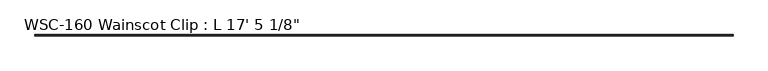
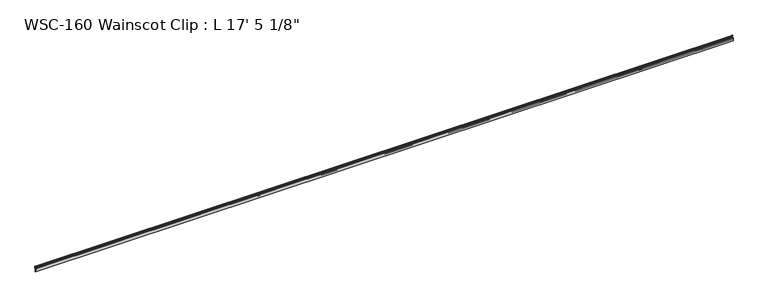
"""IFC4 building model written with IfcOpenShell, lengths in millimetres: proxy geometry."""

from ifc_helpers import new_model, si_unit, frame, origin, place, context, project, spatial, polyline, circle_curve, source, transform, mapped, element, save
from ifc_brep_helpers import plane_surface, cylinder_surface, revolved_surface, advanced_brep


def proxy_ea5700f0(model_context):
    return source(origin(), model_context, "Body", "AdvancedBrep", [
        advanced_brep(
        [(5311.775, -2.3858534, 23.8097395), (5311.775, 0.0, 23.8097395), (5311.775, 0.0, 36.5513594), (5311.775, -2.3349522, 39.6132126), (5311.775, -2.0809522, 40.594561), (5311.775, -2.3349522, 41.3393599), (5311.775, -2.0809522, 42.1048475), (5311.775, -2.3329752, 43.1624591), (5311.775, -4.1129522, 43.1610826), (5311.775, -4.3669522, 42.395595), (5311.775, -4.1129522, 41.6507961), (5311.775, -4.3669522, 40.8853085), (5311.775, -4.1129522, 40.1405096), (5311.775, -4.1129522, 38.1388594), (5311.775, -3.175, 38.1388594), (5311.775, -1.5875, 36.5513594), (5311.775, -1.5875, 33.1154996), (5311.775, -1.3035832, 32.0559078), (5311.775, -1.3035832, 30.7205546), (5311.775, -1.5875, 29.9404996), (5311.775, -1.5875, 26.9720395), (5311.775, -3.1623, 25.3972395), (5311.775, -5.8629506, 25.3951457), (5311.775, -5.5328714, 24.6872886), (5311.775, -5.8629506, 23.9794315), (5311.775, -5.5328714, 23.2715744), (5311.775, -5.8629506, 22.5637173), (5311.775, -5.5328714, 21.8558602), (5311.775, -5.8629506, 21.1480031), (5311.775, -5.5328714, 20.440146), (5311.775, -5.8629506, 19.7322889), (5311.775, -5.5328714, 19.0244318), (5311.775, -5.8629506, 18.3165747), (5311.775, -5.5328714, 17.6087176), (5311.775, -5.8629506, 16.9008605), (5311.775, -5.5328714, 16.1930034), (5311.775, -5.5328714, 15.3090246), (5311.775, -8.2409572, 15.4279003), (5311.775, -8.2409572, 16.3510451), (5311.775, -8.050618, 17.1144537), (5311.775, -8.2409572, 17.9053684), (5311.775, -8.050618, 18.8008436), (5311.775, -8.2409572, 19.7152763), (5311.775, -8.050618, 20.4786849), (5311.775, -8.2409572, 21.3931176), (5311.775, -8.050618, 22.1565262), (5311.775, -8.2409572, 22.9474409), (5311.775, -8.050618, 23.7108495), (5311.775, -8.2409572, 24.5017642), (5311.775, -8.050618, 25.3972395), (5311.775, -9.525, 25.3972395), (5311.775, -9.525, 0.0), (5311.775, -5.6374865, 0.0), (5311.775, -5.6374865, 1.5327614), (5311.775, -6.5278, 1.5327614), (5311.775, -6.5278, 5.9833241), (5311.775, -7.2186149, 6.674139), (5311.775, -6.5278, 7.3649539), (5311.775, -6.5278, 11.8248539), (5311.775, -5.73278, 12.6198739), (5311.775, -3.9733534, 14.1980366), (5311.775, -3.9733534, 22.2222395), (0.0, -2.3858534, 23.8097395), (0.0, -3.9733534, 22.2222395), (0.0, -3.9733534, 14.1980366), (0.0, -5.73278, 12.6198739), (0.0, -6.5278, 11.8248539), (0.0, -6.5278, 7.3649539), (0.0, -7.2186149, 6.674139), (0.0, -6.5278, 5.9833241), (0.0, -6.5278, 1.5327614), (0.0, -5.6374865, 1.5327614), (0.0, -5.6374865, 0.0), (0.0, -9.525, 0.0), (0.0, -9.525, 25.3972395), (0.0, -8.050618, 25.3972395), (0.0, -8.2409572, 24.5017642), (0.0, -8.050618, 23.7108495), (0.0, -8.2409572, 22.9474409), (0.0, -8.050618, 22.1565262), (0.0, -8.2409572, 21.3931176), (0.0, -8.050618, 20.4786849), (0.0, -8.2409572, 19.7152763), (0.0, -8.050618, 18.8008436), (0.0, -8.2409572, 17.9053684), (0.0, -8.050618, 17.1144537), (0.0, -8.2409572, 16.3510451), (0.0, -8.2409572, 15.4279003), (0.0, -5.5328714, 15.3090246), (0.0, -5.5328714, 16.1930034), (0.0, -5.8629506, 16.9008605), (0.0, -5.5328714, 17.6087176), (0.0, -5.8629506, 18.3165747), (0.0, -5.5328714, 19.0244318), (0.0, -5.8629506, 19.7322889), (0.0, -5.5328714, 20.440146), (0.0, -5.8629506, 21.1480031), (0.0, -5.5328714, 21.8558602), (0.0, -5.8629506, 22.5637173), (0.0, -5.5328714, 23.2715744), (0.0, -5.8629506, 23.9794315), (0.0, -5.5328714, 24.6872886), (0.0, -5.8629506, 25.3951457), (0.0, -3.1623, 25.3951457), (0.0, -1.5875, 26.9720395), (0.0, -1.5875, 29.9404996), (0.0, -1.3035832, 30.7205546), (0.0, -1.3035832, 32.0559078), (0.0, -1.5875, 33.1154996), (0.0, -1.5875, 36.5513594), (0.0, -3.175, 38.1388594), (0.0, -4.1129522, 38.1388594), (0.0, -4.1129522, 40.1405096), (0.0, -4.3669522, 40.8853085), (0.0, -4.1129522, 41.6507961), (0.0, -4.3669522, 42.395595), (0.0, -4.1129522, 43.1610826), (0.0, -2.3329752, 43.1624591), (0.0, -2.0809522, 42.1048475), (0.0, -2.3349522, 41.3393599), (0.0, -2.0809522, 40.594561), (0.0, -2.3349522, 39.6132126), (0.0, 0.0, 36.5513594), (0.0, 0.0, 23.8097395)],
        [
            (0, 1),
            (1, 2),
            (2, 3, circle_curve(frame((5311.775, -3.175, 36.5513594), z_axis=(1.0, 0.0, 0.0), x_axis=(0.0, 0.0, -1.0)), 3.175)),
            (3, 4),
            (4, 5),
            (5, 6),
            (6, 7),
            (7, 8, circle_curve(frame((5311.775, -3.2239522, 44.4400699), z_axis=(-1.0, 0.0, 0.0), x_axis=(0.0, 0.0, -1.0)), 1.5576038)),
            (8, 9),
            (9, 10),
            (10, 11),
            (11, 12),
            (12, 13),
            (13, 14),
            (14, 15, circle_curve(frame((5311.775, -3.175, 36.5513594), z_axis=(-1.0, 0.0, 0.0), x_axis=(0.0, 0.0, -1.0)), 1.5875)),
            (15, 16),
            (16, 17),
            (17, 18),
            (18, 19),
            (19, 20),
            (20, 21, circle_curve(frame((5311.775, -3.1623, 26.9720395), z_axis=(-1.0, 0.0, 0.0), x_axis=(0.0, 0.0, -1.0)), 1.5748)),
            (21, 22),
            (22, 23),
            (23, 24),
            (24, 25),
            (25, 26),
            (26, 27),
            (27, 28),
            (28, 29),
            (29, 30),
            (30, 31),
            (31, 32),
            (32, 33),
            (33, 34),
            (34, 35),
            (35, 36),
            (36, 37, circle_curve(frame((5311.775, -6.8679054, 15.8014998), z_axis=(-1.0, 0.0, 0.0), x_axis=(0.0, 0.0, -1.0)), 1.4229714)),
            (37, 38),
            (38, 39),
            (39, 40),
            (40, 41),
            (41, 42),
            (42, 43),
            (43, 44),
            (44, 45),
            (45, 46),
            (46, 47),
            (47, 48),
            (48, 49),
            (49, 50),
            (50, 51),
            (51, 52),
            (52, 53),
            (53, 54),
            (54, 55),
            (55, 56),
            (56, 57),
            (57, 58),
            (58, 59, circle_curve(frame((5311.775, -5.73278, 11.8248539), z_axis=(-1.0, 0.0, 0.0), x_axis=(0.0, 0.0, -1.0)), 0.79502)),
            (59, 60, circle_curve(frame((5311.775, -5.5608534, 14.1980366), z_axis=(1.0, 0.0, 0.0), x_axis=(0.0, 0.0, -1.0)), 1.5875)),
            (60, 61),
            (61, 0, circle_curve(frame((5311.775, -2.3858534, 22.2222395), z_axis=(-1.0, 0.0, 0.0), x_axis=(0.0, 0.0, -1.0)), 1.5875)),
            (62, 63, circle_curve(frame((0.0, -2.3858534, 22.2222395), z_axis=(1.0, 0.0, 0.0), x_axis=(0.0, 0.0, -1.0)), 1.5875)),
            (63, 64),
            (64, 65, circle_curve(frame((0.0, -5.5608534, 14.1980366), z_axis=(-1.0, 0.0, 0.0), x_axis=(0.0, 0.0, -1.0)), 1.5875)),
            (65, 66, circle_curve(frame((0.0, -5.73278, 11.8248539), z_axis=(1.0, 0.0, 0.0), x_axis=(0.0, 0.0, -1.0)), 0.79502)),
            (66, 67),
            (67, 68),
            (68, 69),
            (69, 70),
            (70, 71),
            (71, 72),
            (72, 73),
            (73, 74),
            (74, 75),
            (75, 76),
            (76, 77),
            (77, 78),
            (78, 79),
            (79, 80),
            (80, 81),
            (81, 82),
            (82, 83),
            (83, 84),
            (84, 85),
            (85, 86),
            (86, 87),
            (87, 88, circle_curve(frame((0.0, -6.8679054, 15.8014998), z_axis=(1.0, 0.0, 0.0), x_axis=(0.0, 0.0, -1.0)), 1.4229714)),
            (88, 89),
            (89, 90),
            (90, 91),
            (91, 92),
            (92, 93),
            (93, 94),
            (94, 95),
            (95, 96),
            (96, 97),
            (97, 98),
            (98, 99),
            (99, 100),
            (100, 101),
            (101, 102),
            (102, 103),
            (103, 104, circle_curve(frame((0.0, -3.1623, 26.9720395), z_axis=(1.0, 0.0, 0.0), x_axis=(0.0, 0.0, -1.0)), 1.5748)),
            (104, 105),
            (105, 106),
            (106, 107),
            (107, 108),
            (108, 109),
            (109, 110, circle_curve(frame((0.0, -3.175, 36.5513594), z_axis=(1.0, 0.0, 0.0), x_axis=(0.0, 0.0, -1.0)), 1.5875)),
            (110, 111),
            (111, 112),
            (112, 113),
            (113, 114),
            (114, 115),
            (115, 116),
            (116, 117, circle_curve(frame((0.0, -3.2239522, 44.4400699), z_axis=(1.0, 0.0, 0.0), x_axis=(0.0, 0.0, -1.0)), 1.5576038)),
            (117, 118),
            (118, 119),
            (119, 120),
            (120, 121),
            (121, 122, circle_curve(frame((0.0, -3.175, 36.5513594), z_axis=(-1.0, 0.0, 0.0), x_axis=(0.0, 0.0, -1.0)), 3.175)),
            (122, 123),
            (123, 62),
            (0, 62),
            (123, 1),
            (122, 2),
            (121, 3),
            (120, 4),
            (119, 5),
            (118, 6),
            (117, 7),
            (116, 8),
            (115, 9),
            (114, 10),
            (113, 11),
            (112, 12),
            (111, 13),
            (110, 14),
            (109, 15),
            (108, 16),
            (107, 17),
            (106, 18),
            (105, 19),
            (104, 20),
            (103, 21),
            (102, 22),
            (101, 23),
            (100, 24),
            (99, 25),
            (98, 26),
            (97, 27),
            (96, 28),
            (95, 29),
            (94, 30),
            (93, 31),
            (92, 32),
            (91, 33),
            (90, 34),
            (89, 35),
            (88, 36),
            (87, 37),
            (86, 38),
            (85, 39),
            (84, 40),
            (83, 41),
            (82, 42),
            (81, 43),
            (80, 44),
            (79, 45),
            (78, 46),
            (77, 47),
            (76, 48),
            (75, 49),
            (74, 50),
            (73, 51),
            (72, 52),
            (71, 53),
            (70, 54),
            (69, 55),
            (68, 56),
            (67, 57),
            (66, 58),
            (65, 59),
            (64, 60),
            (63, 61),
        ],
        [
            plane_surface(frame((5311.775, -2.3858534, 23.8097395), z_axis=(1.0, 0.0, 0.0), x_axis=(0.0, 1.0, 0.0))),
            plane_surface(frame((0.0, -2.3858534, 23.8097395), z_axis=(-1.0, 0.0, 0.0), x_axis=(0.0, -1.0, 0.0))),
            plane_surface(frame((5311.775, -2.3858534, 23.8097395), z_axis=(0.0, 0.0, -1.0), x_axis=(-1.0, 0.0, 0.0))),
            plane_surface(frame((5311.775, 0.0, 23.8097395), z_axis=(0.0, 1.0, 0.0), x_axis=(-1.0, 0.0, 0.0))),
            cylinder_surface(frame((0.0, -3.175, 36.5513594), z_axis=(1.0, 0.0, 0.0), x_axis=(0.0, 0.0, -1.0)), 3.175),
            plane_surface(frame((5311.775, -2.3349522, 39.6132126), z_axis=(0.0, 0.9680983532440974, -0.25057050593808283), x_axis=(-1.0, 0.0, 0.0))),
            plane_surface(frame((5311.775, -2.0809522, 40.594561), z_axis=(0.0, 0.9464747536957336, 0.32277785025710864), x_axis=(-1.0, 0.0, 0.0))),
            plane_surface(frame((5311.775, -2.3349522, 41.3393599), z_axis=(0.0, 0.9491148332111727, -0.3149302039794338), x_axis=(-1.0, 0.0, 0.0))),
            plane_surface(frame((5311.775, -2.0809522, 42.1048475), z_axis=(0.0, 0.9727625382470033, 0.23180389164819368), x_axis=(-1.0, 0.0, 0.0))),
            revolved_surface(polyline([(0.0, -3.2239522, 42.882466099999995), (5311.775, -3.2239522, 42.882466099999995)]), (0.0, -3.2239522, 44.4400699), (-1.0, 0.0, 0.0)),
            plane_surface(frame((5311.775, -4.1129522, 43.1610826), z_axis=(0.0, -0.9491148332111751, 0.31493020397942695), x_axis=(-1.0, 0.0, 0.0))),
            plane_surface(frame((5311.775, -4.3669522, 42.395595), z_axis=(0.0, -0.946474753695733, -0.3227778502571104), x_axis=(-1.0, 0.0, 0.0))),
            plane_surface(frame((5311.775, -4.1129522, 41.6507961), z_axis=(0.0, -0.9491148332111737, 0.31493020397943094), x_axis=(-1.0, 0.0, 0.0))),
            plane_surface(frame((5311.775, -4.3669522, 40.8853085), z_axis=(0.0, -0.946474753695735, -0.32277785025710465), x_axis=(-1.0, 0.0, 0.0))),
            plane_surface(frame((5311.775, -4.1129522, 40.1405096), z_axis=(0.0, -1.0, 0.0), x_axis=(-1.0, 0.0, 0.0))),
            plane_surface(frame((5311.775, -4.1129522, 38.1388594), z_axis=(0.0, 0.0, -1.0), x_axis=(-1.0, 0.0, 0.0))),
            revolved_surface(polyline([(0.0, -3.175, 34.963859400000004), (5311.775, -3.175, 34.963859400000004)]), (0.0, -3.175, 36.5513594), (-1.0, 0.0, 0.0)),
            plane_surface(frame((5311.775, -1.5875, 36.5513594), z_axis=(0.0, -1.0, 0.0), x_axis=(-1.0, 0.0, 0.0))),
            plane_surface(frame((5311.775, -1.5875, 33.1154996), z_axis=(0.0, -0.9659258262890671, -0.2588190451025254), x_axis=(-1.0, 0.0, 0.0))),
            plane_surface(frame((5311.775, -1.3035832, 32.0559078), z_axis=(0.0, -1.0, 0.0), x_axis=(-1.0, 0.0, 0.0))),
            plane_surface(frame((5311.775, -1.3035832, 30.7205546), z_axis=(0.0, -0.9396926207859093, 0.3420201433256662), x_axis=(-1.0, 0.0, 0.0))),
            plane_surface(frame((5311.775, -1.5875, 29.9404996), z_axis=(0.0, -1.0, 0.0), x_axis=(-1.0, 0.0, 0.0))),
            revolved_surface(polyline([(0.0, -3.1623, 25.3972395), (5311.775, -3.1623, 25.3972395)]), (0.0, -3.1623, 26.9720395), (-1.0, 0.0, 0.0)),
            plane_surface(frame((5311.775, -3.1623, 25.3951457), z_axis=(0.0, 0.0, 1.0), x_axis=(-1.0, 0.0, 0.0))),
            plane_surface(frame((5311.775, -5.8629506, 25.3951457), z_axis=(0.0, -0.9063077870366459, -0.4226182617407081), x_axis=(-1.0, 0.0, 0.0))),
            plane_surface(frame((5311.775, -5.5328714, 24.6872886), z_axis=(0.0, -0.9063077870366516, 0.42261826174069606), x_axis=(-1.0, 0.0, 0.0))),
            plane_surface(frame((5311.775, -5.8629506, 23.9794315), z_axis=(0.0, -0.9063077870366458, -0.4226182617407084), x_axis=(-1.0, 0.0, 0.0))),
            plane_surface(frame((5311.775, -5.5328714, 23.2715744), z_axis=(0.0, -0.906307787036653, 0.42261826174069284), x_axis=(-1.0, 0.0, 0.0))),
            plane_surface(frame((5311.775, -5.8629506, 22.5637173), z_axis=(0.0, -0.9063077870366464, -0.4226182617407073), x_axis=(-1.0, 0.0, 0.0))),
            plane_surface(frame((5311.775, -5.5328714, 21.8558602), z_axis=(0.0, -0.9063077870366542, 0.4226182617406906), x_axis=(-1.0, 0.0, 0.0))),
            plane_surface(frame((5311.775, -5.8629506, 21.1480031), z_axis=(0.0, -0.9063077870366474, -0.4226182617407052), x_axis=(-1.0, 0.0, 0.0))),
            plane_surface(frame((5311.775, -5.5328714, 20.440146), z_axis=(0.0, -0.9063077870366553, 0.4226182617406882), x_axis=(-1.0, 0.0, 0.0))),
            plane_surface(frame((5311.775, -5.8629506, 19.7322889), z_axis=(0.0, -0.9063077870366473, -0.4226182617407052), x_axis=(-1.0, 0.0, 0.0))),
            plane_surface(frame((5311.775, -5.5328714, 19.0244318), z_axis=(0.0, -0.9063077870366582, 0.42261826174068207), x_axis=(-1.0, 0.0, 0.0))),
            plane_surface(frame((5311.775, -5.8629506, 18.3165747), z_axis=(0.0, -0.9063077870366459, -0.4226182617407081), x_axis=(-1.0, 0.0, 0.0))),
            plane_surface(frame((5311.775, -5.5328714, 17.6087176), z_axis=(0.0, -0.906307787036658, 0.42261826174068207), x_axis=(-1.0, 0.0, 0.0))),
            plane_surface(frame((5311.775, -5.8629506, 16.9008605), z_axis=(0.0, -0.9063077870366475, -0.42261826174070494), x_axis=(-1.0, 0.0, 0.0))),
            plane_surface(frame((5311.775, -5.5328714, 16.1930034), z_axis=(0.0, -1.0, 0.0), x_axis=(-1.0, 0.0, 0.0))),
            revolved_surface(polyline([(0.0, -6.8679054, 14.3785284), (5311.775, -6.8679054, 14.3785284)]), (0.0, -6.8679054, 15.8014998), (-1.0, 0.0, 0.0)),
            plane_surface(frame((5311.775, -8.2409572, 15.4279003), z_axis=(0.0, 1.0, 0.0), x_axis=(-1.0, 0.0, 0.0))),
            plane_surface(frame((5311.775, -8.2409572, 16.3510451), z_axis=(0.0, 0.9702957262759974, -0.2419218955996646), x_axis=(-1.0, 0.0, 0.0))),
            plane_surface(frame((5311.775, -8.050618, 17.1144537), z_axis=(0.0, 0.9722421717392611, 0.23397683537419944), x_axis=(-1.0, 0.0, 0.0))),
            plane_surface(frame((5311.775, -8.2409572, 17.9053684), z_axis=(0.0, 0.9781476007338057, -0.20791169081775937), x_axis=(-1.0, 0.0, 0.0))),
            plane_surface(frame((5311.775, -8.050618, 18.8008436), z_axis=(0.0, 0.9790162504721776, 0.2037821908592571), x_axis=(-1.0, 0.0, 0.0))),
            plane_surface(frame((5311.775, -8.2409572, 19.7152763), z_axis=(0.0, 0.9702957262759989, -0.24192189559965824), x_axis=(-1.0, 0.0, 0.0))),
            plane_surface(frame((5311.775, -8.050618, 20.4786849), z_axis=(0.0, 0.9790162504721778, 0.20378219085925564), x_axis=(-1.0, 0.0, 0.0))),
            plane_surface(frame((5311.775, -8.2409572, 21.3931176), z_axis=(0.0, 0.9702957262759974, -0.24192189559966457), x_axis=(-1.0, 0.0, 0.0))),
            plane_surface(frame((5311.775, -8.050618, 22.1565262), z_axis=(0.0, 0.9722421717392612, 0.23397683537419922), x_axis=(-1.0, 0.0, 0.0))),
            plane_surface(frame((5311.775, -8.2409572, 22.9474409), z_axis=(0.0, 0.9702957262759969, -0.2419218955996659), x_axis=(-1.0, 0.0, 0.0))),
            plane_surface(frame((5311.775, -8.050618, 23.7108495), z_axis=(0.0, 0.9722421717392613, 0.23397683537419872), x_axis=(-1.0, 0.0, 0.0))),
            plane_surface(frame((5311.775, -8.2409572, 24.5017642), z_axis=(0.0, 0.9781476007338065, -0.20791169081775543), x_axis=(-1.0, 0.0, 0.0))),
            plane_surface(frame((5311.775, -8.050618, 25.3972395), z_axis=(0.0, 0.0, 1.0), x_axis=(-1.0, 0.0, 0.0))),
            plane_surface(frame((5311.775, -9.525, 25.3972395), z_axis=(0.0, -1.0, 0.0), x_axis=(-1.0, 0.0, 0.0))),
            plane_surface(frame((5311.775, -9.525, 0.0), z_axis=(0.0, 0.0, -1.0), x_axis=(-1.0, 0.0, 0.0))),
            plane_surface(frame((5311.775, -5.6374865, 0.0), z_axis=(0.0, 1.0, 0.0), x_axis=(-1.0, 0.0, 0.0))),
            plane_surface(frame((5311.775, -5.6374865, 1.5327614), z_axis=(0.0, 0.0, 1.0), x_axis=(-1.0, 0.0, 0.0))),
            plane_surface(frame((5311.775, -6.5278, 1.5327614), z_axis=(0.0, 1.0, 0.0), x_axis=(-1.0, 0.0, 0.0))),
            plane_surface(frame((5311.775, -6.5278, 5.9833241), z_axis=(0.0, 0.7071067811866016, 0.7071067811864934), x_axis=(-1.0, 0.0, 0.0))),
            plane_surface(frame((5311.775, -7.2186149, 6.674139), z_axis=(0.0, 0.7071067811864284, -0.7071067811866666), x_axis=(-1.0, 0.0, 0.0))),
            plane_surface(frame((5311.775, -6.5278, 7.3649539), z_axis=(0.0, 1.0, 0.0), x_axis=(-1.0, 0.0, 0.0))),
            revolved_surface(polyline([(0.0, -5.73278, 11.029833900000002), (5311.775, -5.73278, 11.029833900000002)]), (0.0, -5.73278, 11.8248539), (-1.0, 0.0, 0.0)),
            cylinder_surface(frame((0.0, -5.5608534, 14.1980366), z_axis=(1.0, 0.0, 0.0), x_axis=(0.0, 0.0, -1.0)), 1.5875),
            plane_surface(frame((5311.775, -3.9733534, 14.1980366), z_axis=(0.0, 1.0, 0.0), x_axis=(-1.0, 0.0, 0.0))),
            revolved_surface(polyline([(0.0, -2.3858534, 20.634739500000002), (5311.775, -2.3858534, 20.634739500000002)]), (0.0, -2.3858534, 22.2222395), (-1.0, 0.0, 0.0)),
        ],
        [
            (0, [[1, 2, 3, 4, 5, 6, 7, 8, 9, 10, 11, 12, 13, 14, 15, 16, 17, 18, 19, 20, 21, 22, 23, 24, 25, 26, 27, 28, 29, 30, 31, 32, 33, 34, 35, 36, 37, 38, 39, 40, 41, 42, 43, 44, 45, 46, 47, 48, 49, 50, 51, 52, 53, 54, 55, 56, 57, 58, 59, 60, 61, 62]]),
            (1, [[63, 64, 65, 66, 67, 68, 69, 70, 71, 72, 73, 74, 75, 76, 77, 78, 79, 80, 81, 82, 83, 84, 85, 86, 87, 88, 89, 90, 91, 92, 93, 94, 95, 96, 97, 98, 99, 100, 101, 102, 103, 104, 105, 106, 107, 108, 109, 110, 111, 112, 113, 114, 115, 116, 117, 118, 119, 120, 121, 122, 123, 124]]),
            (2, [[-1, 125, -124, 126]]),
            (3, [[-2, -126, -123, 127]]),
            (4, [[-3, -127, -122, 128]]),
            (5, [[-4, -128, -121, 129]]),
            (6, [[-5, -129, -120, 130]]),
            (7, [[-6, -130, -119, 131]]),
            (8, [[-7, -131, -118, 132]]),
            (9, [[-8, -132, -117, 133]]),
            (10, [[-9, -133, -116, 134]]),
            (11, [[-10, -134, -115, 135]]),
            (12, [[-11, -135, -114, 136]]),
            (13, [[-12, -136, -113, 137]]),
            (14, [[-13, -137, -112, 138]]),
            (15, [[-14, -138, -111, 139]]),
            (16, [[-15, -139, -110, 140]]),
            (17, [[-16, -140, -109, 141]]),
            (18, [[-17, -141, -108, 142]]),
            (19, [[-18, -142, -107, 143]]),
            (20, [[-19, -143, -106, 144]]),
            (21, [[-20, -144, -105, 145]]),
            (22, [[-21, -145, -104, 146]]),
            (23, [[-22, -146, -103, 147]]),
            (24, [[-23, -147, -102, 148]]),
            (25, [[-24, -148, -101, 149]]),
            (26, [[-25, -149, -100, 150]]),
            (27, [[-26, -150, -99, 151]]),
            (28, [[-27, -151, -98, 152]]),
            (29, [[-28, -152, -97, 153]]),
            (30, [[-29, -153, -96, 154]]),
            (31, [[-30, -154, -95, 155]]),
            (32, [[-31, -155, -94, 156]]),
            (33, [[-32, -156, -93, 157]]),
            (34, [[-33, -157, -92, 158]]),
            (35, [[-34, -158, -91, 159]]),
            (36, [[-35, -159, -90, 160]]),
            (37, [[-36, -160, -89, 161]]),
            (38, [[-37, -161, -88, 162]]),
            (39, [[-38, -162, -87, 163]]),
            (40, [[-39, -163, -86, 164]]),
            (41, [[-40, -164, -85, 165]]),
            (42, [[-41, -165, -84, 166]]),
            (43, [[-42, -166, -83, 167]]),
            (44, [[-43, -167, -82, 168]]),
            (45, [[-44, -168, -81, 169]]),
            (46, [[-45, -169, -80, 170]]),
            (47, [[-46, -170, -79, 171]]),
            (48, [[-47, -171, -78, 172]]),
            (49, [[-48, -172, -77, 173]]),
            (50, [[-49, -173, -76, 174]]),
            (51, [[-50, -174, -75, 175]]),
            (52, [[-51, -175, -74, 176]]),
            (53, [[-52, -176, -73, 177]]),
            (54, [[-53, -177, -72, 178]]),
            (55, [[-54, -178, -71, 179]]),
            (56, [[-55, -179, -70, 180]]),
            (57, [[-56, -180, -69, 181]]),
            (58, [[-57, -181, -68, 182]]),
            (59, [[-58, -182, -67, 183]]),
            (60, [[-59, -183, -66, 184]]),
            (61, [[-60, -184, -65, 185]]),
            (62, [[-61, -185, -64, 186]]),
            (63, [[-62, -186, -63, -125]]),
        ],
    ),
    ])


if __name__ == "__main__":
    model = new_model("IFC4")
    model_context = context("Model", 3, world=origin())
    ifc_project = project(units=[si_unit("LENGTHUNIT", "METRE", prefix="MILLI")], contexts=[model_context])
    site = spatial("IfcSite", under=ifc_project)
    building = spatial("IfcBuilding", under=site)
    placement = place(None, origin())
    proxy_shape = proxy_ea5700f0(model_context)
    element("IfcBuildingElementProxy", 1, Name="WSC-160 Wainscot Clip : L 17' 5 1/8\"", ObjectType="WSC-160 Wainscot Clip : L 17' 5 1/8\"", at=placement, inside=building, context=model_context, shape_type="MappedRepresentation", body=[
        mapped(proxy_shape, transform((0.0, 0.0, 0.0), x_axis=(1.0, 0.0, 0.0), y_axis=(0.0, 1.0, 0.0), z_axis=(0.0, 0.0, 1.0))),
    ])
    save(model, "model.ifc")
